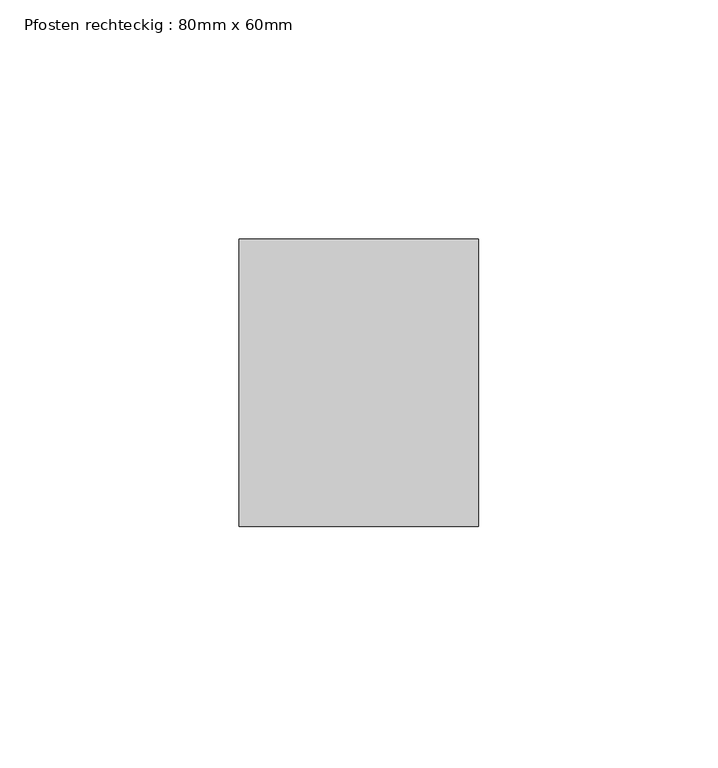
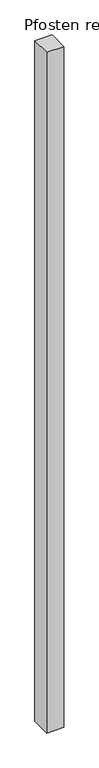
"""IFC4 building model written with IfcOpenShell, lengths in millimetres: member geometry, Pfosten rechteckig : 80mm x 60mm."""

import ifcopenshell
import ifcopenshell.guid

model = None  # the IFC model being written
_history = None  # IfcOwnerHistory: only IFC2X3 demands one
_inside = {}  # id of a spatial element -> (the spatial element, [elements in it])
_under = {}  # id of a project, library or spatial element -> (it, [spatial elements below it])
_declared = {}  # id of a project -> (the project, [libraries it declares])
_typed = {}  # id of a type object -> (the type object, [elements of that type])
_made_of = {}  # id of a material, layer set ... -> (it, [elements and type objects made of it])


def new_model(schema):
    """Start an empty IFC model of exactly this schema.

    Asked for "IFC4X3", IfcOpenShell would pick the latest addendum, in which some entities
    have other attributes; the version numbers below select the first issue.
    IFC2X3 requires an IfcOwnerHistory on every rooted entity: one is made here for all.
    """
    global model, _history
    if schema == "IFC4X3":
        model = ifcopenshell.file(schema_version=(4, 3, 0, 0))
    else:
        model = ifcopenshell.file(schema=schema)
    _inside.clear()
    _under.clear()
    _declared.clear()
    _typed.clear()
    _made_of.clear()
    _history = None
    if model.schema == "IFC2X3":
        org = make("IfcOrganization", Name="unknown")
        user = make(
            "IfcPersonAndOrganization",
            ThePerson=make("IfcPerson", FamilyName="unknown"),
            TheOrganization=org,
        )
        app = make(
            "IfcApplication",
            ApplicationDeveloper=org,
            Version="unknown",
            ApplicationFullName="unknown",
            ApplicationIdentifier="unknown",
        )
        _history = make(
            "IfcOwnerHistory",
            OwningUser=user,
            OwningApplication=app,
            ChangeAction="ADDED",
            CreationDate=0,
        )
    return model


def make(cls, **values):
    """One entity of the class cls with the attributes given. An attribute that is None is left unset."""
    return model.create_entity(
        cls, **{name: value for name, value in values.items() if value is not None}
    )


def rooted(cls, **values):
    """An entity with a GlobalId (a new one), such as an element, a storey or a relation."""
    return make(cls, GlobalId=ifcopenshell.guid.new(), OwnerHistory=_history, **values)


def si_unit(unit_type, name, prefix=None):
    """IfcSIUnit, for example si_unit("LENGTHUNIT", "METRE", prefix="MILLI")."""
    return make("IfcSIUnit", UnitType=unit_type, Prefix=prefix, Name=name)


def assignment(units):
    """IfcUnitAssignment: the units of a project."""
    return None if units is None else make("IfcUnitAssignment", Units=units)


def point(xyz):
    """IfcCartesianPoint."""
    return None if xyz is None else make("IfcCartesianPoint", Coordinates=xyz)


def direction(xyz):
    """IfcDirection."""
    return None if xyz is None else make("IfcDirection", DirectionRatios=xyz)


def frame(location, z_axis=None, x_axis=None):
    """IfcAxis2Placement3D, a coordinate frame: its origin and axes. An axis left out is left unset."""
    return make(
        "IfcAxis2Placement3D",
        Location=point(location),
        Axis=direction(z_axis),
        RefDirection=direction(x_axis),
    )


def origin():
    """The frame at (0, 0, 0) with its axes left unset."""
    return frame((0.0, 0.0, 0.0))


def place(relative_to, where):
    """IfcLocalPlacement: puts the frame where relative to a parent placement (None: the world)."""
    return make(
        "IfcLocalPlacement", PlacementRelTo=relative_to, RelativePlacement=where
    )


def context(
    kind, dimensions, precision=None, world=None, true_north=None, identifier=None
):
    """IfcGeometricRepresentationContext, for example the 3D "Model" context."""
    return make(
        "IfcGeometricRepresentationContext",
        ContextIdentifier=identifier,
        ContextType=kind,
        CoordinateSpaceDimension=dimensions,
        Precision=precision,
        WorldCoordinateSystem=world,
        TrueNorth=true_north,
    )


def project(units=None, contexts=None):
    """IfcProject with its units and contexts."""
    return rooted(
        "IfcProject",
        Name="project",
        RepresentationContexts=contexts,
        UnitsInContext=assignment(units),
    )


def spatial(cls, under=None, at=None, **own):
    """A site, building, storey or space (cls), placed at a placement, below another one or the project."""
    s = rooted(cls, ObjectPlacement=at, **own)
    if under is not None:
        _under.setdefault(under.id(), (under, []))[1].append(s)
    return s


def polyline(points):
    """IfcPolyline through the points."""
    return make("IfcPolyline", Points=[point(p) for p in points])


def outline(outer, holes=None, kind="AREA"):
    """IfcArbitraryClosedProfileDef: a profile drawn as a closed curve; with holes, ...WithVoids."""
    if holes is None:
        return make("IfcArbitraryClosedProfileDef", ProfileType=kind, OuterCurve=outer)
    return make(
        "IfcArbitraryProfileDefWithVoids",
        ProfileType=kind,
        OuterCurve=outer,
        InnerCurves=holes,
    )


def extrude(swept, where, along, depth):
    """IfcExtrudedAreaSolid: the profile swept, set in the frame where, extruded along a direction by depth."""
    return make(
        "IfcExtrudedAreaSolid",
        SweptArea=swept,
        Position=where,
        ExtrudedDirection=direction(along),
        Depth=depth,
    )


def shape(context_of_items, identifier, shape_type, items):
    """IfcShapeRepresentation: the items that make up one representation, for example the "Body"."""
    return make(
        "IfcShapeRepresentation",
        ContextOfItems=context_of_items,
        RepresentationIdentifier=identifier,
        RepresentationType=shape_type,
        Items=items,
    )


def source(mapping_origin, context_of_items, identifier, shape_type, items):
    """IfcRepresentationMap: a shape defined once, which mapped items show again and again."""
    return make(
        "IfcRepresentationMap",
        MappingOrigin=mapping_origin,
        MappedRepresentation=shape(context_of_items, identifier, shape_type, items),
    )


def transform(
    local_origin,
    x_axis=None,
    y_axis=None,
    z_axis=None,
    scale=None,
    scale2=None,
    scale3=None,
    uniform=True,
):
    """IfcCartesianTransformationOperator3D, or its non-uniform kind. x_axis, y_axis, z_axis: its Axis1, 2, 3."""
    if uniform:
        return make(
            "IfcCartesianTransformationOperator3D",
            Axis1=direction(x_axis),
            Axis2=direction(y_axis),
            LocalOrigin=point(local_origin),
            Scale=scale,
            Axis3=direction(z_axis),
        )
    return make(
        "IfcCartesianTransformationOperator3DnonUniform",
        Axis1=direction(x_axis),
        Axis2=direction(y_axis),
        LocalOrigin=point(local_origin),
        Scale=scale,
        Axis3=direction(z_axis),
        Scale2=scale2,
        Scale3=scale3,
    )


def mapped(mapping_source, mapping_target):
    """IfcMappedItem: shows the shape of a source again, moved by a transform."""
    return make(
        "IfcMappedItem", MappingSource=mapping_source, MappingTarget=mapping_target
    )


def made_of(thing, what):
    """Note that an element or type object is made of a material, layer set ...; save() writes the relation."""
    if what is not None:
        _made_of.setdefault(what.id(), (what, []))[1].append(thing)
    return thing


def element(
    cls,
    number,
    at=None,
    inside=None,
    cuts=None,
    type_object=None,
    material=None,
    context=None,
    identifier="Body",
    shape_type=None,
    held_by="IfcProductDefinitionShape",
    body=None,
    shapes=None,
    **own,
):
    """One element of the class cls, such as IfcWall. Its Tag is "e" and its number.

    at: its placement. inside: the storey or other place that contains it. cuts: it is an
    opening in that element (IfcRelVoidsElement). A single representation is given by context,
    identifier, shape_type and body (its items); several are given by shapes. held_by: the class
    of the entity that holds the representations. save() writes the other relations.
    """
    e = rooted(cls, Tag="e%d" % number, ObjectPlacement=at, **own)
    if body is not None:
        shapes = [shape(context, identifier, shape_type, body)]
    if shapes is not None:
        e.Representation = make(held_by, Representations=shapes)
    if inside is not None:
        _inside.setdefault(inside.id(), (inside, []))[1].append(e)
    if cuts is not None:
        rooted(
            "IfcRelVoidsElement", RelatingBuildingElement=cuts, RelatedOpeningElement=e
        )
    if type_object is not None:
        _typed.setdefault(type_object.id(), (type_object, []))[1].append(e)
    return made_of(e, material)


def aggregate(whole, parts):
    """IfcRelAggregates: a whole, such as a stair, and the parts it consists of."""
    return rooted("IfcRelAggregates", RelatingObject=whole, RelatedObjects=parts)


def save(model, path):
    """Write the relations noted so far, then the file.

    IfcRelAggregates (storeys below a building ...), IfcRelContainedInSpatialStructure (elements
    in a storey), IfcRelDefinesByType, IfcRelAssociatesMaterial and IfcRelDeclares: one each for
    every whole, place, type object, material and project.
    """
    for whole, parts in _under.values():
        aggregate(whole, parts)
    for where, things in _inside.values():
        rooted(
            "IfcRelContainedInSpatialStructure",
            RelatedElements=things,
            RelatingStructure=where,
        )
    for kind, things in _typed.values():
        rooted("IfcRelDefinesByType", RelatedObjects=things, RelatingType=kind)
    for what, things in _made_of.values():
        rooted("IfcRelAssociatesMaterial", RelatedObjects=things, RelatingMaterial=what)
    for by, libraries in _declared.values():
        rooted("IfcRelDeclares", RelatingContext=by, RelatedDefinitions=libraries)
    model.write(path)


def pfosten_rechteckig_80mm_x_60mm_6591eb85(model_context):
    return source(origin(), model_context, "Body", "SweptSolid", [
        extrude(outline(polyline([(0.0, 30.0), (0.0, -30.0), (-50.0, -30.0), (-50.0, 30.0), (0.0, 30.0)])), frame((0.0, 0.0, -2100.0), z_axis=(0.0, 0.0, 1.0), x_axis=(1.0, 0.0, 0.0)), (0.0, 0.0, 1.0), 2100.0),
    ])


if __name__ == "__main__":
    model = new_model("IFC4")
    model_context = context("Model", 3, world=origin())
    ifc_project = project(units=[si_unit("LENGTHUNIT", "METRE", prefix="MILLI")], contexts=[model_context])
    site = spatial("IfcSite", under=ifc_project)
    building = spatial("IfcBuilding", under=site)
    placement = place(None, origin())
    pfosten_rechteckig_80mm_x_60mm_shape = pfosten_rechteckig_80mm_x_60mm_6591eb85(model_context)
    element("IfcMember", 1, ObjectType="Pfosten rechteckig : 80mm x 60mm", at=placement, inside=building, context=model_context, shape_type="MappedRepresentation", body=[
        mapped(pfosten_rechteckig_80mm_x_60mm_shape, transform((0.0, 0.0, 0.0), x_axis=(1.0, 0.0, 0.0), y_axis=(0.0, 1.0, 0.0), z_axis=(0.0, 0.0, 1.0))),
    ])
    save(model, "model.ifc")
